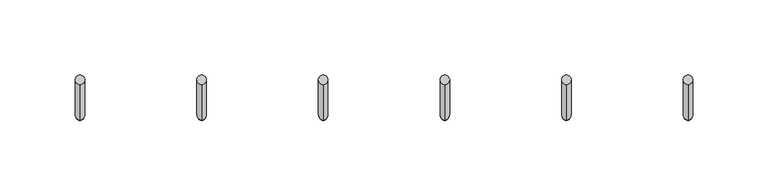
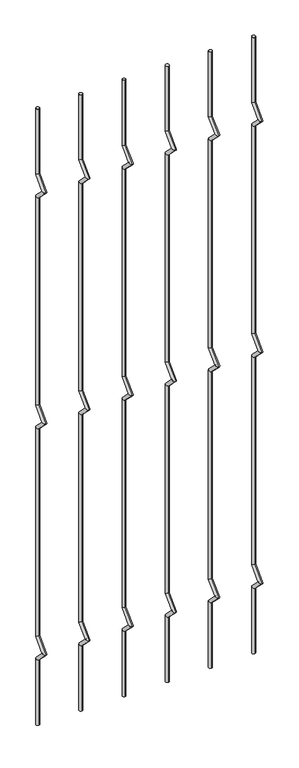
"""IFC4 building model written with IfcOpenShell, lengths in millimetres: railing geometry."""

import ifcopenshell
import ifcopenshell.guid

model = None  # the IFC model being written
_history = None  # IfcOwnerHistory: only IFC2X3 demands one
_inside = {}  # id of a spatial element -> (the spatial element, [elements in it])
_under = {}  # id of a project, library or spatial element -> (it, [spatial elements below it])
_declared = {}  # id of a project -> (the project, [libraries it declares])
_typed = {}  # id of a type object -> (the type object, [elements of that type])
_made_of = {}  # id of a material, layer set ... -> (it, [elements and type objects made of it])


def new_model(schema):
    """Start an empty IFC model of exactly this schema.

    Asked for "IFC4X3", IfcOpenShell would pick the latest addendum, in which some entities
    have other attributes; the version numbers below select the first issue.
    IFC2X3 requires an IfcOwnerHistory on every rooted entity: one is made here for all.
    """
    global model, _history
    if schema == "IFC4X3":
        model = ifcopenshell.file(schema_version=(4, 3, 0, 0))
    else:
        model = ifcopenshell.file(schema=schema)
    _inside.clear()
    _under.clear()
    _declared.clear()
    _typed.clear()
    _made_of.clear()
    _history = None
    if model.schema == "IFC2X3":
        org = make("IfcOrganization", Name="unknown")
        user = make(
            "IfcPersonAndOrganization",
            ThePerson=make("IfcPerson", FamilyName="unknown"),
            TheOrganization=org,
        )
        app = make(
            "IfcApplication",
            ApplicationDeveloper=org,
            Version="unknown",
            ApplicationFullName="unknown",
            ApplicationIdentifier="unknown",
        )
        _history = make(
            "IfcOwnerHistory",
            OwningUser=user,
            OwningApplication=app,
            ChangeAction="ADDED",
            CreationDate=0,
        )
    return model


def make(cls, **values):
    """One entity of the class cls with the attributes given. An attribute that is None is left unset."""
    return model.create_entity(
        cls, **{name: value for name, value in values.items() if value is not None}
    )


def rooted(cls, **values):
    """An entity with a GlobalId (a new one), such as an element, a storey or a relation."""
    return make(cls, GlobalId=ifcopenshell.guid.new(), OwnerHistory=_history, **values)


def si_unit(unit_type, name, prefix=None):
    """IfcSIUnit, for example si_unit("LENGTHUNIT", "METRE", prefix="MILLI")."""
    return make("IfcSIUnit", UnitType=unit_type, Prefix=prefix, Name=name)


def assignment(units):
    """IfcUnitAssignment: the units of a project."""
    return None if units is None else make("IfcUnitAssignment", Units=units)


def point(xyz):
    """IfcCartesianPoint."""
    return None if xyz is None else make("IfcCartesianPoint", Coordinates=xyz)


def direction(xyz):
    """IfcDirection."""
    return None if xyz is None else make("IfcDirection", DirectionRatios=xyz)


def frame(location, z_axis=None, x_axis=None):
    """IfcAxis2Placement3D, a coordinate frame: its origin and axes. An axis left out is left unset."""
    return make(
        "IfcAxis2Placement3D",
        Location=point(location),
        Axis=direction(z_axis),
        RefDirection=direction(x_axis),
    )


def origin():
    """The frame at (0, 0, 0) with its axes left unset."""
    return frame((0.0, 0.0, 0.0))


def place(relative_to, where):
    """IfcLocalPlacement: puts the frame where relative to a parent placement (None: the world)."""
    return make(
        "IfcLocalPlacement", PlacementRelTo=relative_to, RelativePlacement=where
    )


def context(
    kind, dimensions, precision=None, world=None, true_north=None, identifier=None
):
    """IfcGeometricRepresentationContext, for example the 3D "Model" context."""
    return make(
        "IfcGeometricRepresentationContext",
        ContextIdentifier=identifier,
        ContextType=kind,
        CoordinateSpaceDimension=dimensions,
        Precision=precision,
        WorldCoordinateSystem=world,
        TrueNorth=true_north,
    )


def project(units=None, contexts=None):
    """IfcProject with its units and contexts."""
    return rooted(
        "IfcProject",
        Name="project",
        RepresentationContexts=contexts,
        UnitsInContext=assignment(units),
    )


def spatial(cls, under=None, at=None, **own):
    """A site, building, storey or space (cls), placed at a placement, below another one or the project."""
    s = rooted(cls, ObjectPlacement=at, **own)
    if under is not None:
        _under.setdefault(under.id(), (under, []))[1].append(s)
    return s


def circle_curve(where, radius):
    """IfcCircle in the frame where."""
    return make("IfcCircle", Position=where, Radius=radius)


def ellipse_curve(where, semi_axis1, semi_axis2):
    """IfcEllipse in the frame where."""
    return make(
        "IfcEllipse", Position=where, SemiAxis1=semi_axis1, SemiAxis2=semi_axis2
    )


def shape(context_of_items, identifier, shape_type, items):
    """IfcShapeRepresentation: the items that make up one representation, for example the "Body"."""
    return make(
        "IfcShapeRepresentation",
        ContextOfItems=context_of_items,
        RepresentationIdentifier=identifier,
        RepresentationType=shape_type,
        Items=items,
    )


def source(mapping_origin, context_of_items, identifier, shape_type, items):
    """IfcRepresentationMap: a shape defined once, which mapped items show again and again."""
    return make(
        "IfcRepresentationMap",
        MappingOrigin=mapping_origin,
        MappedRepresentation=shape(context_of_items, identifier, shape_type, items),
    )


def transform(
    local_origin,
    x_axis=None,
    y_axis=None,
    z_axis=None,
    scale=None,
    scale2=None,
    scale3=None,
    uniform=True,
):
    """IfcCartesianTransformationOperator3D, or its non-uniform kind. x_axis, y_axis, z_axis: its Axis1, 2, 3."""
    if uniform:
        return make(
            "IfcCartesianTransformationOperator3D",
            Axis1=direction(x_axis),
            Axis2=direction(y_axis),
            LocalOrigin=point(local_origin),
            Scale=scale,
            Axis3=direction(z_axis),
        )
    return make(
        "IfcCartesianTransformationOperator3DnonUniform",
        Axis1=direction(x_axis),
        Axis2=direction(y_axis),
        LocalOrigin=point(local_origin),
        Scale=scale,
        Axis3=direction(z_axis),
        Scale2=scale2,
        Scale3=scale3,
    )


def mapped(mapping_source, mapping_target):
    """IfcMappedItem: shows the shape of a source again, moved by a transform."""
    return make(
        "IfcMappedItem", MappingSource=mapping_source, MappingTarget=mapping_target
    )


def made_of(thing, what):
    """Note that an element or type object is made of a material, layer set ...; save() writes the relation."""
    if what is not None:
        _made_of.setdefault(what.id(), (what, []))[1].append(thing)
    return thing


def element(
    cls,
    number,
    at=None,
    inside=None,
    cuts=None,
    type_object=None,
    material=None,
    context=None,
    identifier="Body",
    shape_type=None,
    held_by="IfcProductDefinitionShape",
    body=None,
    shapes=None,
    **own,
):
    """One element of the class cls, such as IfcWall. Its Tag is "e" and its number.

    at: its placement. inside: the storey or other place that contains it. cuts: it is an
    opening in that element (IfcRelVoidsElement). A single representation is given by context,
    identifier, shape_type and body (its items); several are given by shapes. held_by: the class
    of the entity that holds the representations. save() writes the other relations.
    """
    e = rooted(cls, Tag="e%d" % number, ObjectPlacement=at, **own)
    if body is not None:
        shapes = [shape(context, identifier, shape_type, body)]
    if shapes is not None:
        e.Representation = make(held_by, Representations=shapes)
    if inside is not None:
        _inside.setdefault(inside.id(), (inside, []))[1].append(e)
    if cuts is not None:
        rooted(
            "IfcRelVoidsElement", RelatingBuildingElement=cuts, RelatedOpeningElement=e
        )
    if type_object is not None:
        _typed.setdefault(type_object.id(), (type_object, []))[1].append(e)
    return made_of(e, material)


def aggregate(whole, parts):
    """IfcRelAggregates: a whole, such as a stair, and the parts it consists of."""
    return rooted("IfcRelAggregates", RelatingObject=whole, RelatedObjects=parts)


def save(model, path):
    """Write the relations noted so far, then the file.

    IfcRelAggregates (storeys below a building ...), IfcRelContainedInSpatialStructure (elements
    in a storey), IfcRelDefinesByType, IfcRelAssociatesMaterial and IfcRelDeclares: one each for
    every whole, place, type object, material and project.
    """
    for whole, parts in _under.values():
        aggregate(whole, parts)
    for where, things in _inside.values():
        rooted(
            "IfcRelContainedInSpatialStructure",
            RelatedElements=things,
            RelatingStructure=where,
        )
    for kind, things in _typed.values():
        rooted("IfcRelDefinesByType", RelatedObjects=things, RelatingType=kind)
    for what, things in _made_of.values():
        rooted("IfcRelAssociatesMaterial", RelatedObjects=things, RelatingMaterial=what)
    for by, libraries in _declared.values():
        rooted("IfcRelDeclares", RelatingContext=by, RelatedDefinitions=libraries)
    model.write(path)


def plane_surface(at):
    """IfcPlane: the flat surface through the origin of the frame at, square to its z axis."""
    return make("IfcPlane", Position=at)


def cylinder_surface(at, radius):
    """IfcCylindricalSurface: all points at the distance radius from the z axis of the frame at."""
    return make("IfcCylindricalSurface", Position=at, Radius=radius)


def advanced_brep(points, edges, surfaces, faces):
    """IfcAdvancedBrep: a solid bounded by faces that lie on surfaces and meet in shared edges.

    An edge is (start, end): straight between two places in points (the first is 0);
    or (start, end, curve); or (start, end, curve, False) where it runs against its curve.
    A face is (place in surfaces, loops), or (place, loops, False) where it looks against
    its surface's normal. A loop lists edges by number (the first is 1), with a minus sign
    where the edge is run from its end to its start. The first loop is the outer one.
    """
    corners = [point(p) for p in points]
    vertices = [make("IfcVertexPoint", VertexGeometry=c) for c in corners]
    made = []
    for start, end, *more in edges:
        made.append(
            make(
                "IfcEdgeCurve",
                EdgeStart=vertices[start],
                EdgeEnd=vertices[end],
                EdgeGeometry=more[0] if more else make("IfcPolyline", Points=[corners[start], corners[end]]),
                SameSense=more[1] if len(more) > 1 else True,
            )
        )
    hull = []
    for where, loops, *sense in faces:
        bounds = []
        for j, loop in enumerate(loops):
            ring = [make("IfcOrientedEdge", EdgeElement=made[abs(k) - 1], Orientation=k > 0) for k in loop]
            bounds.append(
                make(
                    "IfcFaceOuterBound" if j == 0 else "IfcFaceBound",
                    Bound=make("IfcEdgeLoop", EdgeList=ring),
                    Orientation=True,
                )
            )
        hull.append(make("IfcAdvancedFace", Bounds=bounds, FaceSurface=surfaces[where], SameSense=sense[0] if sense else True))
    return make("IfcAdvancedBrep", Outer=make("IfcClosedShell", CfsFaces=hull))


def railing_378e3ece(model_context):
    return source(origin(), model_context, "Body", "AdvancedBrep", [
        advanced_brep(
        [(-17999.7490291, 14808.5554142, 25.4), (-17999.7490291, 14802.2054142, 25.4), (-17999.7490291, 14802.2054142, 154.0342316), (-17999.7490291, 14808.5554142, 156.6644878), (-17999.7490291, 14778.4396458, 177.8), (-17999.7490291, 14787.419902, 177.8), (-17999.7490291, 14802.2054142, 201.5657684), (-17999.7490291, 14808.5554142, 198.9355122), (-17999.7490291, 14802.2054142, 611.2342316), (-17999.7490291, 14808.5554142, 613.8644878), (-17999.7490291, 14778.4396458, 635.0), (-17999.7490291, 14787.419902, 635.0), (-17999.7490291, 14802.2054142, 658.7657684), (-17999.7490291, 14808.5554142, 656.1355122), (-17999.7490291, 14802.2054142, 1068.4342316), (-17999.7490291, 14808.5554142, 1071.0644878), (-17999.7490291, 14778.4396458, 1092.2), (-17999.7490291, 14787.419902, 1092.2), (-17999.7490291, 14802.2054142, 1115.9657684), (-17999.7490291, 14808.5554142, 1113.3355122), (-17999.7490291, 14808.5554142, 1244.6), (-17999.7490291, 14802.2054142, 1244.6)],
        [
            (0, 1, circle_curve(frame((-17999.7490291, 14805.3804142, 25.4), z_axis=(0.0, 0.0, -1.0), x_axis=(0.0, -1.0, 0.0)), 3.175)),
            (1, 0, circle_curve(frame((-17999.7490291, 14805.3804142, 25.4), z_axis=(0.0, 0.0, -1.0), x_axis=(0.0, -1.0, 0.0)), 3.175)),
            (1, 2),
            (2, 3, ellipse_curve(frame((-17999.7490291, 14805.3804142, 155.3493597), z_axis=(0.0, 0.3826834323650955, -0.9238795325112844), x_axis=(0.0, -0.9238795325112845, -0.38268343236509544)), 3.4365952, 3.175)),
            (3, 0),
            (3, 2, ellipse_curve(frame((-17999.7490291, 14805.3804142, 155.3493597), z_axis=(0.0, 0.3826834323650955, -0.9238795325112844), x_axis=(0.0, -0.9238795325112845, -0.38268343236509544)), 3.4365952, 3.175)),
            (2, 4),
            (4, 5, ellipse_curve(frame((-17999.7490291, 14782.9297739, 177.8), z_axis=(0.0, 0.0, -1.0), x_axis=(0.0, 1.0, 0.0)), 4.4901281, 3.175)),
            (5, 3),
            (5, 4, ellipse_curve(frame((-17999.7490291, 14782.9297739, 177.8), z_axis=(0.0, 0.0, -1.0), x_axis=(0.0, 1.0, 0.0)), 4.4901281, 3.175)),
            (4, 6),
            (6, 7, ellipse_curve(frame((-17999.7490291, 14805.3804142, 200.2506403), z_axis=(0.0, -0.3826834323650839, -0.9238795325112892), x_axis=(0.0, -0.9238795325112893, 0.38268343236508373)), 3.4365952, 3.175)),
            (7, 5),
            (7, 6, ellipse_curve(frame((-17999.7490291, 14805.3804142, 200.2506403), z_axis=(0.0, -0.3826834323650839, -0.9238795325112892), x_axis=(0.0, -0.9238795325112893, 0.38268343236508373)), 3.4365952, 3.175)),
            (6, 8),
            (8, 9, ellipse_curve(frame((-17999.7490291, 14805.3804142, 612.5493597), z_axis=(0.0, 0.3826834323651024, -0.9238795325112816), x_axis=(0.0, -0.9238795325112816, -0.382683432365102)), 3.4365952, 3.175)),
            (9, 7),
            (9, 8, ellipse_curve(frame((-17999.7490291, 14805.3804142, 612.5493597), z_axis=(0.0, 0.3826834323651024, -0.9238795325112816), x_axis=(0.0, -0.9238795325112816, -0.382683432365102)), 3.4365952, 3.175)),
            (8, 10),
            (10, 11, ellipse_curve(frame((-17999.7490291, 14782.9297739, 635.0), z_axis=(0.0, 0.0, -1.0), x_axis=(0.0, 1.0, 0.0)), 4.4901281, 3.175)),
            (11, 9),
            (11, 10, ellipse_curve(frame((-17999.7490291, 14782.9297739, 635.0), z_axis=(0.0, 0.0, -1.0), x_axis=(0.0, 1.0, 0.0)), 4.4901281, 3.175)),
            (10, 12),
            (12, 13, ellipse_curve(frame((-17999.7490291, 14805.3804142, 657.4506403), z_axis=(0.0, -0.3826834323650771, -0.923879532511292), x_axis=(0.0, -0.9238795325112918, 0.3826834323650773)), 3.4365952, 3.175)),
            (13, 11),
            (13, 12, ellipse_curve(frame((-17999.7490291, 14805.3804142, 657.4506403), z_axis=(0.0, -0.3826834323650771, -0.923879532511292), x_axis=(0.0, -0.9238795325112918, 0.3826834323650773)), 3.4365952, 3.175)),
            (12, 14),
            (14, 15, ellipse_curve(frame((-17999.7490291, 14805.3804142, 1069.7493597), z_axis=(0.0, 0.3826834323650978, -0.9238795325112834), x_axis=(0.0, -0.9238795325112834, -0.382683432365098)), 3.4365952, 3.175)),
            (15, 13),
            (15, 14, ellipse_curve(frame((-17999.7490291, 14805.3804142, 1069.7493597), z_axis=(0.0, 0.3826834323650978, -0.9238795325112834), x_axis=(0.0, -0.9238795325112834, -0.382683432365098)), 3.4365952, 3.175)),
            (14, 16),
            (16, 17, ellipse_curve(frame((-17999.7490291, 14782.9297739, 1092.2), z_axis=(0.0, 0.0, -1.0), x_axis=(0.0, 1.0, 0.0)), 4.4901281, 3.175)),
            (17, 15),
            (17, 16, ellipse_curve(frame((-17999.7490291, 14782.9297739, 1092.2), z_axis=(0.0, 0.0, -1.0), x_axis=(0.0, 1.0, 0.0)), 4.4901281, 3.175)),
            (16, 18),
            (18, 19, ellipse_curve(frame((-17999.7490291, 14805.3804142, 1114.6506403), z_axis=(0.0, -0.38268343236508223, -0.9238795325112898), x_axis=(0.0, -0.92387953251129, 0.38268343236508207)), 3.4365952, 3.175)),
            (19, 17),
            (19, 18, ellipse_curve(frame((-17999.7490291, 14805.3804142, 1114.6506403), z_axis=(0.0, -0.38268343236508223, -0.9238795325112898), x_axis=(0.0, -0.92387953251129, 0.38268343236508207)), 3.4365952, 3.175)),
            (20, 21, circle_curve(frame((-17999.7490291, 14805.3804142, 1244.6), z_axis=(0.0, 0.0, 1.0), x_axis=(0.0, -1.0, 0.0)), 3.175)),
            (21, 20, circle_curve(frame((-17999.7490291, 14805.3804142, 1244.6), z_axis=(0.0, 0.0, 1.0), x_axis=(0.0, -1.0, 0.0)), 3.175)),
            (18, 21),
            (20, 19),
        ],
        [
            plane_surface(frame((-17999.7490291, 14805.3804142, 25.4), z_axis=(0.0, 0.0, -1.0), x_axis=(-1.0, 0.0, 0.0))),
            cylinder_surface(frame((-17999.7490291, 14805.3804142, 25.4), z_axis=(0.0, 0.0, -1.0), x_axis=(0.0, -1.0, 0.0)), 3.175),
            cylinder_surface(frame((-17999.7490291, 14805.3804142, 155.3493597), z_axis=(0.0, 0.7071067811865563, -0.7071067811865388), x_axis=(0.0, -0.7071067811865388, -0.7071067811865563)), 3.175),
            cylinder_surface(frame((-17999.7490291, 14782.9297739, 177.8), z_axis=(0.0, -0.7071067811865385, -0.7071067811865568), x_axis=(0.0, -0.7071067811865568, 0.7071067811865385)), 3.175),
            cylinder_surface(frame((-17999.7490291, 14805.3804142, 200.2506403), z_axis=(0.0, 0.0, -1.0), x_axis=(0.0, -1.0, 0.0)), 3.175),
            cylinder_surface(frame((-17999.7490291, 14805.3804142, 612.5493597), z_axis=(0.0, 0.7071067811865669, -0.707106781186528), x_axis=(0.0, -0.707106781186528, -0.7071067811865669)), 3.175),
            cylinder_surface(frame((-17999.7490291, 14782.9297739, 635.0), z_axis=(0.0, -0.7071067811865279, -0.7071067811865672), x_axis=(0.0, -0.7071067811865672, 0.7071067811865279)), 3.175),
            cylinder_surface(frame((-17999.7490291, 14805.3804142, 657.4506403), z_axis=(0.0, 0.0, -1.0), x_axis=(0.0, -1.0, 0.0)), 3.175),
            cylinder_surface(frame((-17999.7490291, 14805.3804142, 1069.7493597), z_axis=(0.0, 0.7071067811865601, -0.707106781186535), x_axis=(0.0, -0.707106781186535, -0.7071067811865601)), 3.175),
            cylinder_surface(frame((-17999.7490291, 14782.9297739, 1092.2), z_axis=(0.0, -0.7071067811865356, -0.7071067811865596), x_axis=(0.0, -0.7071067811865596, 0.7071067811865356)), 3.175),
            plane_surface(frame((-17999.7490291, 14805.3804142, 1244.6), z_axis=(0.0, 0.0, 1.0), x_axis=(-1.0, 0.0, 0.0))),
            cylinder_surface(frame((-17999.7490291, 14805.3804142, 1114.6506403), z_axis=(0.0, 0.0, -1.0), x_axis=(0.0, -1.0, 0.0)), 3.175),
        ],
        [
            (0, [[1, 2]]),
            (1, [[3, 4, 5, -2]]),
            (1, [[-5, 6, -3, -1]]),
            (2, [[7, 8, 9, -4]]),
            (2, [[-9, 10, -7, -6]]),
            (3, [[11, 12, 13, -8]]),
            (3, [[-13, 14, -11, -10]]),
            (4, [[15, 16, 17, -12]]),
            (4, [[-17, 18, -15, -14]]),
            (5, [[19, 20, 21, -16]]),
            (5, [[-21, 22, -19, -18]]),
            (6, [[23, 24, 25, -20]]),
            (6, [[-25, 26, -23, -22]]),
            (7, [[27, 28, 29, -24]]),
            (7, [[-29, 30, -27, -26]]),
            (8, [[31, 32, 33, -28]]),
            (8, [[-33, 34, -31, -30]]),
            (9, [[35, 36, 37, -32]]),
            (9, [[-37, 38, -35, -34]]),
            (10, [[39, 40]]),
            (11, [[41, -39, 42, -36]]),
            (11, [[-42, -40, -41, -38]]),
        ],
    ),
        advanced_brep(
        [(-17918.8923624, 14808.5554142, 25.4), (-17918.8923624, 14802.2054142, 25.4), (-17918.8923624, 14802.2054142, 154.0342316), (-17918.8923624, 14808.5554142, 156.6644878), (-17918.8923624, 14778.4396458, 177.8), (-17918.8923624, 14787.419902, 177.8), (-17918.8923624, 14802.2054142, 201.5657684), (-17918.8923624, 14808.5554142, 198.9355122), (-17918.8923624, 14802.2054142, 611.2342316), (-17918.8923624, 14808.5554142, 613.8644878), (-17918.8923624, 14778.4396458, 635.0), (-17918.8923624, 14787.419902, 635.0), (-17918.8923624, 14802.2054142, 658.7657684), (-17918.8923624, 14808.5554142, 656.1355122), (-17918.8923624, 14802.2054142, 1068.4342316), (-17918.8923624, 14808.5554142, 1071.0644878), (-17918.8923624, 14778.4396458, 1092.2), (-17918.8923624, 14787.419902, 1092.2), (-17918.8923624, 14802.2054142, 1115.9657684), (-17918.8923624, 14808.5554142, 1113.3355122), (-17918.8923624, 14808.5554142, 1244.6), (-17918.8923624, 14802.2054142, 1244.6)],
        [
            (0, 1, circle_curve(frame((-17918.8923624, 14805.3804142, 25.4), z_axis=(0.0, 0.0, -1.0), x_axis=(0.0, -1.0, 0.0)), 3.175)),
            (1, 0, circle_curve(frame((-17918.8923624, 14805.3804142, 25.4), z_axis=(0.0, 0.0, -1.0), x_axis=(0.0, -1.0, 0.0)), 3.175)),
            (1, 2),
            (2, 3, ellipse_curve(frame((-17918.8923624, 14805.3804142, 155.3493597), z_axis=(0.0, 0.3826834323650955, -0.9238795325112844), x_axis=(0.0, -0.9238795325112845, -0.38268343236509544)), 3.4365952, 3.175)),
            (3, 0),
            (3, 2, ellipse_curve(frame((-17918.8923624, 14805.3804142, 155.3493597), z_axis=(0.0, 0.3826834323650955, -0.9238795325112844), x_axis=(0.0, -0.9238795325112845, -0.38268343236509544)), 3.4365952, 3.175)),
            (2, 4),
            (4, 5, ellipse_curve(frame((-17918.8923624, 14782.9297739, 177.8), z_axis=(0.0, 0.0, -1.0), x_axis=(0.0, 1.0, 0.0)), 4.4901281, 3.175)),
            (5, 3),
            (5, 4, ellipse_curve(frame((-17918.8923624, 14782.9297739, 177.8), z_axis=(0.0, 0.0, -1.0), x_axis=(0.0, 1.0, 0.0)), 4.4901281, 3.175)),
            (4, 6),
            (6, 7, ellipse_curve(frame((-17918.8923624, 14805.3804142, 200.2506403), z_axis=(0.0, -0.3826834323650839, -0.9238795325112892), x_axis=(0.0, -0.9238795325112893, 0.38268343236508373)), 3.4365952, 3.175)),
            (7, 5),
            (7, 6, ellipse_curve(frame((-17918.8923624, 14805.3804142, 200.2506403), z_axis=(0.0, -0.3826834323650839, -0.9238795325112892), x_axis=(0.0, -0.9238795325112893, 0.38268343236508373)), 3.4365952, 3.175)),
            (6, 8),
            (8, 9, ellipse_curve(frame((-17918.8923624, 14805.3804142, 612.5493597), z_axis=(0.0, 0.3826834323651024, -0.9238795325112816), x_axis=(0.0, -0.9238795325112816, -0.382683432365102)), 3.4365952, 3.175)),
            (9, 7),
            (9, 8, ellipse_curve(frame((-17918.8923624, 14805.3804142, 612.5493597), z_axis=(0.0, 0.3826834323651024, -0.9238795325112816), x_axis=(0.0, -0.9238795325112816, -0.382683432365102)), 3.4365952, 3.175)),
            (8, 10),
            (10, 11, ellipse_curve(frame((-17918.8923624, 14782.9297739, 635.0), z_axis=(0.0, 0.0, -1.0), x_axis=(0.0, 1.0, 0.0)), 4.4901281, 3.175)),
            (11, 9),
            (11, 10, ellipse_curve(frame((-17918.8923624, 14782.9297739, 635.0), z_axis=(0.0, 0.0, -1.0), x_axis=(0.0, 1.0, 0.0)), 4.4901281, 3.175)),
            (10, 12),
            (12, 13, ellipse_curve(frame((-17918.8923624, 14805.3804142, 657.4506403), z_axis=(0.0, -0.3826834323650771, -0.923879532511292), x_axis=(0.0, -0.9238795325112918, 0.3826834323650773)), 3.4365952, 3.175)),
            (13, 11),
            (13, 12, ellipse_curve(frame((-17918.8923624, 14805.3804142, 657.4506403), z_axis=(0.0, -0.3826834323650771, -0.923879532511292), x_axis=(0.0, -0.9238795325112918, 0.3826834323650773)), 3.4365952, 3.175)),
            (12, 14),
            (14, 15, ellipse_curve(frame((-17918.8923624, 14805.3804142, 1069.7493597), z_axis=(0.0, 0.3826834323650978, -0.9238795325112834), x_axis=(0.0, -0.9238795325112834, -0.382683432365098)), 3.4365952, 3.175)),
            (15, 13),
            (15, 14, ellipse_curve(frame((-17918.8923624, 14805.3804142, 1069.7493597), z_axis=(0.0, 0.3826834323650978, -0.9238795325112834), x_axis=(0.0, -0.9238795325112834, -0.382683432365098)), 3.4365952, 3.175)),
            (14, 16),
            (16, 17, ellipse_curve(frame((-17918.8923624, 14782.9297739, 1092.2), z_axis=(0.0, 0.0, -1.0), x_axis=(0.0, 1.0, 0.0)), 4.4901281, 3.175)),
            (17, 15),
            (17, 16, ellipse_curve(frame((-17918.8923624, 14782.9297739, 1092.2), z_axis=(0.0, 0.0, -1.0), x_axis=(0.0, 1.0, 0.0)), 4.4901281, 3.175)),
            (16, 18),
            (18, 19, ellipse_curve(frame((-17918.8923624, 14805.3804142, 1114.6506403), z_axis=(0.0, -0.38268343236508223, -0.9238795325112898), x_axis=(0.0, -0.92387953251129, 0.38268343236508207)), 3.4365952, 3.175)),
            (19, 17),
            (19, 18, ellipse_curve(frame((-17918.8923624, 14805.3804142, 1114.6506403), z_axis=(0.0, -0.38268343236508223, -0.9238795325112898), x_axis=(0.0, -0.92387953251129, 0.38268343236508207)), 3.4365952, 3.175)),
            (20, 21, circle_curve(frame((-17918.8923624, 14805.3804142, 1244.6), z_axis=(0.0, 0.0, 1.0), x_axis=(0.0, -1.0, 0.0)), 3.175)),
            (21, 20, circle_curve(frame((-17918.8923624, 14805.3804142, 1244.6), z_axis=(0.0, 0.0, 1.0), x_axis=(0.0, -1.0, 0.0)), 3.175)),
            (18, 21),
            (20, 19),
        ],
        [
            plane_surface(frame((-17918.8923624, 14805.3804142, 25.4), z_axis=(0.0, 0.0, -1.0), x_axis=(-1.0, 0.0, 0.0))),
            cylinder_surface(frame((-17918.8923624, 14805.3804142, 25.4), z_axis=(0.0, 0.0, -1.0), x_axis=(0.0, -1.0, 0.0)), 3.175),
            cylinder_surface(frame((-17918.8923624, 14805.3804142, 155.3493597), z_axis=(0.0, 0.7071067811865563, -0.7071067811865388), x_axis=(0.0, -0.7071067811865388, -0.7071067811865563)), 3.175),
            cylinder_surface(frame((-17918.8923624, 14782.9297739, 177.8), z_axis=(0.0, -0.7071067811865385, -0.7071067811865568), x_axis=(0.0, -0.7071067811865568, 0.7071067811865385)), 3.175),
            cylinder_surface(frame((-17918.8923624, 14805.3804142, 200.2506403), z_axis=(0.0, 0.0, -1.0), x_axis=(0.0, -1.0, 0.0)), 3.175),
            cylinder_surface(frame((-17918.8923624, 14805.3804142, 612.5493597), z_axis=(0.0, 0.7071067811865669, -0.707106781186528), x_axis=(0.0, -0.707106781186528, -0.7071067811865669)), 3.175),
            cylinder_surface(frame((-17918.8923624, 14782.9297739, 635.0), z_axis=(0.0, -0.7071067811865279, -0.7071067811865672), x_axis=(0.0, -0.7071067811865672, 0.7071067811865279)), 3.175),
            cylinder_surface(frame((-17918.8923624, 14805.3804142, 657.4506403), z_axis=(0.0, 0.0, -1.0), x_axis=(0.0, -1.0, 0.0)), 3.175),
            cylinder_surface(frame((-17918.8923624, 14805.3804142, 1069.7493597), z_axis=(0.0, 0.7071067811865601, -0.707106781186535), x_axis=(0.0, -0.707106781186535, -0.7071067811865601)), 3.175),
            cylinder_surface(frame((-17918.8923624, 14782.9297739, 1092.2), z_axis=(0.0, -0.7071067811865356, -0.7071067811865596), x_axis=(0.0, -0.7071067811865596, 0.7071067811865356)), 3.175),
            plane_surface(frame((-17918.8923624, 14805.3804142, 1244.6), z_axis=(0.0, 0.0, 1.0), x_axis=(-1.0, 0.0, 0.0))),
            cylinder_surface(frame((-17918.8923624, 14805.3804142, 1114.6506403), z_axis=(0.0, 0.0, -1.0), x_axis=(0.0, -1.0, 0.0)), 3.175),
        ],
        [
            (0, [[1, 2]]),
            (1, [[3, 4, 5, -2]]),
            (1, [[-5, 6, -3, -1]]),
            (2, [[7, 8, 9, -4]]),
            (2, [[-9, 10, -7, -6]]),
            (3, [[11, 12, 13, -8]]),
            (3, [[-13, 14, -11, -10]]),
            (4, [[15, 16, 17, -12]]),
            (4, [[-17, 18, -15, -14]]),
            (5, [[19, 20, 21, -16]]),
            (5, [[-21, 22, -19, -18]]),
            (6, [[23, 24, 25, -20]]),
            (6, [[-25, 26, -23, -22]]),
            (7, [[27, 28, 29, -24]]),
            (7, [[-29, 30, -27, -26]]),
            (8, [[31, 32, 33, -28]]),
            (8, [[-33, 34, -31, -30]]),
            (9, [[35, 36, 37, -32]]),
            (9, [[-37, 38, -35, -34]]),
            (10, [[39, 40]]),
            (11, [[41, -39, 42, -36]]),
            (11, [[-42, -40, -41, -38]]),
        ],
    ),
        advanced_brep(
        [(-17838.0356958, 14808.5554142, 25.4), (-17838.0356958, 14802.2054142, 25.4), (-17838.0356958, 14802.2054142, 154.0342316), (-17838.0356958, 14808.5554142, 156.6644878), (-17838.0356958, 14778.4396458, 177.8), (-17838.0356958, 14787.419902, 177.8), (-17838.0356958, 14802.2054142, 201.5657684), (-17838.0356958, 14808.5554142, 198.9355122), (-17838.0356958, 14802.2054142, 611.2342316), (-17838.0356958, 14808.5554142, 613.8644878), (-17838.0356958, 14778.4396458, 635.0), (-17838.0356958, 14787.419902, 635.0), (-17838.0356958, 14802.2054142, 658.7657684), (-17838.0356958, 14808.5554142, 656.1355122), (-17838.0356958, 14802.2054142, 1068.4342316), (-17838.0356958, 14808.5554142, 1071.0644878), (-17838.0356958, 14778.4396458, 1092.2), (-17838.0356958, 14787.419902, 1092.2), (-17838.0356958, 14802.2054142, 1115.9657684), (-17838.0356958, 14808.5554142, 1113.3355122), (-17838.0356958, 14808.5554142, 1244.6), (-17838.0356958, 14802.2054142, 1244.6)],
        [
            (0, 1, circle_curve(frame((-17838.0356958, 14805.3804142, 25.4), z_axis=(0.0, 0.0, -1.0), x_axis=(0.0, -1.0, 0.0)), 3.175)),
            (1, 0, circle_curve(frame((-17838.0356958, 14805.3804142, 25.4), z_axis=(0.0, 0.0, -1.0), x_axis=(0.0, -1.0, 0.0)), 3.175)),
            (1, 2),
            (2, 3, ellipse_curve(frame((-17838.0356958, 14805.3804142, 155.3493597), z_axis=(0.0, 0.3826834323650955, -0.9238795325112844), x_axis=(0.0, -0.9238795325112845, -0.38268343236509544)), 3.4365952, 3.175)),
            (3, 0),
            (3, 2, ellipse_curve(frame((-17838.0356958, 14805.3804142, 155.3493597), z_axis=(0.0, 0.3826834323650955, -0.9238795325112844), x_axis=(0.0, -0.9238795325112845, -0.38268343236509544)), 3.4365952, 3.175)),
            (2, 4),
            (4, 5, ellipse_curve(frame((-17838.0356958, 14782.9297739, 177.8), z_axis=(0.0, 0.0, -1.0), x_axis=(0.0, 1.0, 0.0)), 4.4901281, 3.175)),
            (5, 3),
            (5, 4, ellipse_curve(frame((-17838.0356958, 14782.9297739, 177.8), z_axis=(0.0, 0.0, -1.0), x_axis=(0.0, 1.0, 0.0)), 4.4901281, 3.175)),
            (4, 6),
            (6, 7, ellipse_curve(frame((-17838.0356958, 14805.3804142, 200.2506403), z_axis=(0.0, -0.3826834323650839, -0.9238795325112892), x_axis=(0.0, -0.9238795325112893, 0.38268343236508373)), 3.4365952, 3.175)),
            (7, 5),
            (7, 6, ellipse_curve(frame((-17838.0356958, 14805.3804142, 200.2506403), z_axis=(0.0, -0.3826834323650839, -0.9238795325112892), x_axis=(0.0, -0.9238795325112893, 0.38268343236508373)), 3.4365952, 3.175)),
            (6, 8),
            (8, 9, ellipse_curve(frame((-17838.0356958, 14805.3804142, 612.5493597), z_axis=(0.0, 0.3826834323651024, -0.9238795325112816), x_axis=(0.0, -0.9238795325112816, -0.382683432365102)), 3.4365952, 3.175)),
            (9, 7),
            (9, 8, ellipse_curve(frame((-17838.0356958, 14805.3804142, 612.5493597), z_axis=(0.0, 0.3826834323651024, -0.9238795325112816), x_axis=(0.0, -0.9238795325112816, -0.382683432365102)), 3.4365952, 3.175)),
            (8, 10),
            (10, 11, ellipse_curve(frame((-17838.0356958, 14782.9297739, 635.0), z_axis=(0.0, 0.0, -1.0), x_axis=(0.0, 1.0, 0.0)), 4.4901281, 3.175)),
            (11, 9),
            (11, 10, ellipse_curve(frame((-17838.0356958, 14782.9297739, 635.0), z_axis=(0.0, 0.0, -1.0), x_axis=(0.0, 1.0, 0.0)), 4.4901281, 3.175)),
            (10, 12),
            (12, 13, ellipse_curve(frame((-17838.0356958, 14805.3804142, 657.4506403), z_axis=(0.0, -0.3826834323650771, -0.923879532511292), x_axis=(0.0, -0.9238795325112918, 0.3826834323650773)), 3.4365952, 3.175)),
            (13, 11),
            (13, 12, ellipse_curve(frame((-17838.0356958, 14805.3804142, 657.4506403), z_axis=(0.0, -0.3826834323650771, -0.923879532511292), x_axis=(0.0, -0.9238795325112918, 0.3826834323650773)), 3.4365952, 3.175)),
            (12, 14),
            (14, 15, ellipse_curve(frame((-17838.0356958, 14805.3804142, 1069.7493597), z_axis=(0.0, 0.3826834323650978, -0.9238795325112834), x_axis=(0.0, -0.9238795325112834, -0.382683432365098)), 3.4365952, 3.175)),
            (15, 13),
            (15, 14, ellipse_curve(frame((-17838.0356958, 14805.3804142, 1069.7493597), z_axis=(0.0, 0.3826834323650978, -0.9238795325112834), x_axis=(0.0, -0.9238795325112834, -0.382683432365098)), 3.4365952, 3.175)),
            (14, 16),
            (16, 17, ellipse_curve(frame((-17838.0356958, 14782.9297739, 1092.2), z_axis=(0.0, 0.0, -1.0), x_axis=(0.0, 1.0, 0.0)), 4.4901281, 3.175)),
            (17, 15),
            (17, 16, ellipse_curve(frame((-17838.0356958, 14782.9297739, 1092.2), z_axis=(0.0, 0.0, -1.0), x_axis=(0.0, 1.0, 0.0)), 4.4901281, 3.175)),
            (16, 18),
            (18, 19, ellipse_curve(frame((-17838.0356958, 14805.3804142, 1114.6506403), z_axis=(0.0, -0.38268343236508223, -0.9238795325112898), x_axis=(0.0, -0.92387953251129, 0.38268343236508207)), 3.4365952, 3.175)),
            (19, 17),
            (19, 18, ellipse_curve(frame((-17838.0356958, 14805.3804142, 1114.6506403), z_axis=(0.0, -0.38268343236508223, -0.9238795325112898), x_axis=(0.0, -0.92387953251129, 0.38268343236508207)), 3.4365952, 3.175)),
            (20, 21, circle_curve(frame((-17838.0356958, 14805.3804142, 1244.6), z_axis=(0.0, 0.0, 1.0), x_axis=(0.0, -1.0, 0.0)), 3.175)),
            (21, 20, circle_curve(frame((-17838.0356958, 14805.3804142, 1244.6), z_axis=(0.0, 0.0, 1.0), x_axis=(0.0, -1.0, 0.0)), 3.175)),
            (18, 21),
            (20, 19),
        ],
        [
            plane_surface(frame((-17838.0356958, 14805.3804142, 25.4), z_axis=(0.0, 0.0, -1.0), x_axis=(-1.0, 0.0, 0.0))),
            cylinder_surface(frame((-17838.0356958, 14805.3804142, 25.4), z_axis=(0.0, 0.0, -1.0), x_axis=(0.0, -1.0, 0.0)), 3.175),
            cylinder_surface(frame((-17838.0356958, 14805.3804142, 155.3493597), z_axis=(0.0, 0.7071067811865563, -0.7071067811865388), x_axis=(0.0, -0.7071067811865388, -0.7071067811865563)), 3.175),
            cylinder_surface(frame((-17838.0356958, 14782.9297739, 177.8), z_axis=(0.0, -0.7071067811865385, -0.7071067811865568), x_axis=(0.0, -0.7071067811865568, 0.7071067811865385)), 3.175),
            cylinder_surface(frame((-17838.0356958, 14805.3804142, 200.2506403), z_axis=(0.0, 0.0, -1.0), x_axis=(0.0, -1.0, 0.0)), 3.175),
            cylinder_surface(frame((-17838.0356958, 14805.3804142, 612.5493597), z_axis=(0.0, 0.7071067811865669, -0.707106781186528), x_axis=(0.0, -0.707106781186528, -0.7071067811865669)), 3.175),
            cylinder_surface(frame((-17838.0356958, 14782.9297739, 635.0), z_axis=(0.0, -0.7071067811865279, -0.7071067811865672), x_axis=(0.0, -0.7071067811865672, 0.7071067811865279)), 3.175),
            cylinder_surface(frame((-17838.0356958, 14805.3804142, 657.4506403), z_axis=(0.0, 0.0, -1.0), x_axis=(0.0, -1.0, 0.0)), 3.175),
            cylinder_surface(frame((-17838.0356958, 14805.3804142, 1069.7493597), z_axis=(0.0, 0.7071067811865601, -0.707106781186535), x_axis=(0.0, -0.707106781186535, -0.7071067811865601)), 3.175),
            cylinder_surface(frame((-17838.0356958, 14782.9297739, 1092.2), z_axis=(0.0, -0.7071067811865356, -0.7071067811865596), x_axis=(0.0, -0.7071067811865596, 0.7071067811865356)), 3.175),
            plane_surface(frame((-17838.0356958, 14805.3804142, 1244.6), z_axis=(0.0, 0.0, 1.0), x_axis=(-1.0, 0.0, 0.0))),
            cylinder_surface(frame((-17838.0356958, 14805.3804142, 1114.6506403), z_axis=(0.0, 0.0, -1.0), x_axis=(0.0, -1.0, 0.0)), 3.175),
        ],
        [
            (0, [[1, 2]]),
            (1, [[3, 4, 5, -2]]),
            (1, [[-5, 6, -3, -1]]),
            (2, [[7, 8, 9, -4]]),
            (2, [[-9, 10, -7, -6]]),
            (3, [[11, 12, 13, -8]]),
            (3, [[-13, 14, -11, -10]]),
            (4, [[15, 16, 17, -12]]),
            (4, [[-17, 18, -15, -14]]),
            (5, [[19, 20, 21, -16]]),
            (5, [[-21, 22, -19, -18]]),
            (6, [[23, 24, 25, -20]]),
            (6, [[-25, 26, -23, -22]]),
            (7, [[27, 28, 29, -24]]),
            (7, [[-29, 30, -27, -26]]),
            (8, [[31, 32, 33, -28]]),
            (8, [[-33, 34, -31, -30]]),
            (9, [[35, 36, 37, -32]]),
            (9, [[-37, 38, -35, -34]]),
            (10, [[39, 40]]),
            (11, [[41, -39, 42, -36]]),
            (11, [[-42, -40, -41, -38]]),
        ],
    ),
        advanced_brep(
        [(-17757.1790291, 14808.5554142, 25.4), (-17757.1790291, 14802.2054142, 25.4), (-17757.1790291, 14802.2054142, 154.0342316), (-17757.1790291, 14808.5554142, 156.6644878), (-17757.1790291, 14778.4396458, 177.8), (-17757.1790291, 14787.419902, 177.8), (-17757.1790291, 14802.2054142, 201.5657684), (-17757.1790291, 14808.5554142, 198.9355122), (-17757.1790291, 14802.2054142, 611.2342316), (-17757.1790291, 14808.5554142, 613.8644878), (-17757.1790291, 14778.4396458, 635.0), (-17757.1790291, 14787.419902, 635.0), (-17757.1790291, 14802.2054142, 658.7657684), (-17757.1790291, 14808.5554142, 656.1355122), (-17757.1790291, 14802.2054142, 1068.4342316), (-17757.1790291, 14808.5554142, 1071.0644878), (-17757.1790291, 14778.4396458, 1092.2), (-17757.1790291, 14787.419902, 1092.2), (-17757.1790291, 14802.2054142, 1115.9657684), (-17757.1790291, 14808.5554142, 1113.3355122), (-17757.1790291, 14808.5554142, 1244.6), (-17757.1790291, 14802.2054142, 1244.6)],
        [
            (0, 1, circle_curve(frame((-17757.1790291, 14805.3804142, 25.4), z_axis=(0.0, 0.0, -1.0), x_axis=(0.0, -1.0, 0.0)), 3.175)),
            (1, 0, circle_curve(frame((-17757.1790291, 14805.3804142, 25.4), z_axis=(0.0, 0.0, -1.0), x_axis=(0.0, -1.0, 0.0)), 3.175)),
            (1, 2),
            (2, 3, ellipse_curve(frame((-17757.1790291, 14805.3804142, 155.3493597), z_axis=(0.0, 0.3826834323650955, -0.9238795325112844), x_axis=(0.0, -0.9238795325112845, -0.38268343236509544)), 3.4365952, 3.175)),
            (3, 0),
            (3, 2, ellipse_curve(frame((-17757.1790291, 14805.3804142, 155.3493597), z_axis=(0.0, 0.3826834323650955, -0.9238795325112844), x_axis=(0.0, -0.9238795325112845, -0.38268343236509544)), 3.4365952, 3.175)),
            (2, 4),
            (4, 5, ellipse_curve(frame((-17757.1790291, 14782.9297739, 177.8), z_axis=(0.0, 0.0, -1.0), x_axis=(0.0, 1.0, 0.0)), 4.4901281, 3.175)),
            (5, 3),
            (5, 4, ellipse_curve(frame((-17757.1790291, 14782.9297739, 177.8), z_axis=(0.0, 0.0, -1.0), x_axis=(0.0, 1.0, 0.0)), 4.4901281, 3.175)),
            (4, 6),
            (6, 7, ellipse_curve(frame((-17757.1790291, 14805.3804142, 200.2506403), z_axis=(0.0, -0.3826834323650839, -0.9238795325112892), x_axis=(0.0, -0.9238795325112893, 0.38268343236508373)), 3.4365952, 3.175)),
            (7, 5),
            (7, 6, ellipse_curve(frame((-17757.1790291, 14805.3804142, 200.2506403), z_axis=(0.0, -0.3826834323650839, -0.9238795325112892), x_axis=(0.0, -0.9238795325112893, 0.38268343236508373)), 3.4365952, 3.175)),
            (6, 8),
            (8, 9, ellipse_curve(frame((-17757.1790291, 14805.3804142, 612.5493597), z_axis=(0.0, 0.3826834323651024, -0.9238795325112816), x_axis=(0.0, -0.9238795325112816, -0.382683432365102)), 3.4365952, 3.175)),
            (9, 7),
            (9, 8, ellipse_curve(frame((-17757.1790291, 14805.3804142, 612.5493597), z_axis=(0.0, 0.3826834323651024, -0.9238795325112816), x_axis=(0.0, -0.9238795325112816, -0.382683432365102)), 3.4365952, 3.175)),
            (8, 10),
            (10, 11, ellipse_curve(frame((-17757.1790291, 14782.9297739, 635.0), z_axis=(0.0, 0.0, -1.0), x_axis=(0.0, 1.0, 0.0)), 4.4901281, 3.175)),
            (11, 9),
            (11, 10, ellipse_curve(frame((-17757.1790291, 14782.9297739, 635.0), z_axis=(0.0, 0.0, -1.0), x_axis=(0.0, 1.0, 0.0)), 4.4901281, 3.175)),
            (10, 12),
            (12, 13, ellipse_curve(frame((-17757.1790291, 14805.3804142, 657.4506403), z_axis=(0.0, -0.3826834323650771, -0.923879532511292), x_axis=(0.0, -0.9238795325112918, 0.3826834323650773)), 3.4365952, 3.175)),
            (13, 11),
            (13, 12, ellipse_curve(frame((-17757.1790291, 14805.3804142, 657.4506403), z_axis=(0.0, -0.3826834323650771, -0.923879532511292), x_axis=(0.0, -0.9238795325112918, 0.3826834323650773)), 3.4365952, 3.175)),
            (12, 14),
            (14, 15, ellipse_curve(frame((-17757.1790291, 14805.3804142, 1069.7493597), z_axis=(0.0, 0.3826834323650978, -0.9238795325112834), x_axis=(0.0, -0.9238795325112834, -0.382683432365098)), 3.4365952, 3.175)),
            (15, 13),
            (15, 14, ellipse_curve(frame((-17757.1790291, 14805.3804142, 1069.7493597), z_axis=(0.0, 0.3826834323650978, -0.9238795325112834), x_axis=(0.0, -0.9238795325112834, -0.382683432365098)), 3.4365952, 3.175)),
            (14, 16),
            (16, 17, ellipse_curve(frame((-17757.1790291, 14782.9297739, 1092.2), z_axis=(0.0, 0.0, -1.0), x_axis=(0.0, 1.0, 0.0)), 4.4901281, 3.175)),
            (17, 15),
            (17, 16, ellipse_curve(frame((-17757.1790291, 14782.9297739, 1092.2), z_axis=(0.0, 0.0, -1.0), x_axis=(0.0, 1.0, 0.0)), 4.4901281, 3.175)),
            (16, 18),
            (18, 19, ellipse_curve(frame((-17757.1790291, 14805.3804142, 1114.6506403), z_axis=(0.0, -0.38268343236508223, -0.9238795325112898), x_axis=(0.0, -0.92387953251129, 0.38268343236508207)), 3.4365952, 3.175)),
            (19, 17),
            (19, 18, ellipse_curve(frame((-17757.1790291, 14805.3804142, 1114.6506403), z_axis=(0.0, -0.38268343236508223, -0.9238795325112898), x_axis=(0.0, -0.92387953251129, 0.38268343236508207)), 3.4365952, 3.175)),
            (20, 21, circle_curve(frame((-17757.1790291, 14805.3804142, 1244.6), z_axis=(0.0, 0.0, 1.0), x_axis=(0.0, -1.0, 0.0)), 3.175)),
            (21, 20, circle_curve(frame((-17757.1790291, 14805.3804142, 1244.6), z_axis=(0.0, 0.0, 1.0), x_axis=(0.0, -1.0, 0.0)), 3.175)),
            (18, 21),
            (20, 19),
        ],
        [
            plane_surface(frame((-17757.1790291, 14805.3804142, 25.4), z_axis=(0.0, 0.0, -1.0), x_axis=(-1.0, 0.0, 0.0))),
            cylinder_surface(frame((-17757.1790291, 14805.3804142, 25.4), z_axis=(0.0, 0.0, -1.0), x_axis=(0.0, -1.0, 0.0)), 3.175),
            cylinder_surface(frame((-17757.1790291, 14805.3804142, 155.3493597), z_axis=(0.0, 0.7071067811865563, -0.7071067811865388), x_axis=(0.0, -0.7071067811865388, -0.7071067811865563)), 3.175),
            cylinder_surface(frame((-17757.1790291, 14782.9297739, 177.8), z_axis=(0.0, -0.7071067811865385, -0.7071067811865568), x_axis=(0.0, -0.7071067811865568, 0.7071067811865385)), 3.175),
            cylinder_surface(frame((-17757.1790291, 14805.3804142, 200.2506403), z_axis=(0.0, 0.0, -1.0), x_axis=(0.0, -1.0, 0.0)), 3.175),
            cylinder_surface(frame((-17757.1790291, 14805.3804142, 612.5493597), z_axis=(0.0, 0.7071067811865669, -0.707106781186528), x_axis=(0.0, -0.707106781186528, -0.7071067811865669)), 3.175),
            cylinder_surface(frame((-17757.1790291, 14782.9297739, 635.0), z_axis=(0.0, -0.7071067811865279, -0.7071067811865672), x_axis=(0.0, -0.7071067811865672, 0.7071067811865279)), 3.175),
            cylinder_surface(frame((-17757.1790291, 14805.3804142, 657.4506403), z_axis=(0.0, 0.0, -1.0), x_axis=(0.0, -1.0, 0.0)), 3.175),
            cylinder_surface(frame((-17757.1790291, 14805.3804142, 1069.7493597), z_axis=(0.0, 0.7071067811865601, -0.707106781186535), x_axis=(0.0, -0.707106781186535, -0.7071067811865601)), 3.175),
            cylinder_surface(frame((-17757.1790291, 14782.9297739, 1092.2), z_axis=(0.0, -0.7071067811865356, -0.7071067811865596), x_axis=(0.0, -0.7071067811865596, 0.7071067811865356)), 3.175),
            plane_surface(frame((-17757.1790291, 14805.3804142, 1244.6), z_axis=(0.0, 0.0, 1.0), x_axis=(-1.0, 0.0, 0.0))),
            cylinder_surface(frame((-17757.1790291, 14805.3804142, 1114.6506403), z_axis=(0.0, 0.0, -1.0), x_axis=(0.0, -1.0, 0.0)), 3.175),
        ],
        [
            (0, [[1, 2]]),
            (1, [[3, 4, 5, -2]]),
            (1, [[-5, 6, -3, -1]]),
            (2, [[7, 8, 9, -4]]),
            (2, [[-9, 10, -7, -6]]),
            (3, [[11, 12, 13, -8]]),
            (3, [[-13, 14, -11, -10]]),
            (4, [[15, 16, 17, -12]]),
            (4, [[-17, 18, -15, -14]]),
            (5, [[19, 20, 21, -16]]),
            (5, [[-21, 22, -19, -18]]),
            (6, [[23, 24, 25, -20]]),
            (6, [[-25, 26, -23, -22]]),
            (7, [[27, 28, 29, -24]]),
            (7, [[-29, 30, -27, -26]]),
            (8, [[31, 32, 33, -28]]),
            (8, [[-33, 34, -31, -30]]),
            (9, [[35, 36, 37, -32]]),
            (9, [[-37, 38, -35, -34]]),
            (10, [[39, 40]]),
            (11, [[41, -39, 42, -36]]),
            (11, [[-42, -40, -41, -38]]),
        ],
    ),
        advanced_brep(
        [(-17676.3223624, 14808.5554142, 25.4), (-17676.3223624, 14802.2054142, 25.4), (-17676.3223624, 14802.2054142, 154.0342316), (-17676.3223624, 14808.5554142, 156.6644878), (-17676.3223624, 14778.4396458, 177.8), (-17676.3223624, 14787.419902, 177.8), (-17676.3223624, 14802.2054142, 201.5657684), (-17676.3223624, 14808.5554142, 198.9355122), (-17676.3223624, 14802.2054142, 611.2342316), (-17676.3223624, 14808.5554142, 613.8644878), (-17676.3223624, 14778.4396458, 635.0), (-17676.3223624, 14787.419902, 635.0), (-17676.3223624, 14802.2054142, 658.7657684), (-17676.3223624, 14808.5554142, 656.1355122), (-17676.3223624, 14802.2054142, 1068.4342316), (-17676.3223624, 14808.5554142, 1071.0644878), (-17676.3223624, 14778.4396458, 1092.2), (-17676.3223624, 14787.419902, 1092.2), (-17676.3223624, 14802.2054142, 1115.9657684), (-17676.3223624, 14808.5554142, 1113.3355122), (-17676.3223624, 14808.5554142, 1244.6), (-17676.3223624, 14802.2054142, 1244.6)],
        [
            (0, 1, circle_curve(frame((-17676.3223624, 14805.3804142, 25.4), z_axis=(0.0, 0.0, -1.0), x_axis=(0.0, -1.0, 0.0)), 3.175)),
            (1, 0, circle_curve(frame((-17676.3223624, 14805.3804142, 25.4), z_axis=(0.0, 0.0, -1.0), x_axis=(0.0, -1.0, 0.0)), 3.175)),
            (1, 2),
            (2, 3, ellipse_curve(frame((-17676.3223624, 14805.3804142, 155.3493597), z_axis=(0.0, 0.3826834323650955, -0.9238795325112844), x_axis=(0.0, -0.9238795325112845, -0.38268343236509544)), 3.4365952, 3.175)),
            (3, 0),
            (3, 2, ellipse_curve(frame((-17676.3223624, 14805.3804142, 155.3493597), z_axis=(0.0, 0.3826834323650955, -0.9238795325112844), x_axis=(0.0, -0.9238795325112845, -0.38268343236509544)), 3.4365952, 3.175)),
            (2, 4),
            (4, 5, ellipse_curve(frame((-17676.3223624, 14782.9297739, 177.8), z_axis=(0.0, 0.0, -1.0), x_axis=(0.0, 1.0, 0.0)), 4.4901281, 3.175)),
            (5, 3),
            (5, 4, ellipse_curve(frame((-17676.3223624, 14782.9297739, 177.8), z_axis=(0.0, 0.0, -1.0), x_axis=(0.0, 1.0, 0.0)), 4.4901281, 3.175)),
            (4, 6),
            (6, 7, ellipse_curve(frame((-17676.3223624, 14805.3804142, 200.2506403), z_axis=(0.0, -0.3826834323650839, -0.9238795325112892), x_axis=(0.0, -0.9238795325112893, 0.38268343236508373)), 3.4365952, 3.175)),
            (7, 5),
            (7, 6, ellipse_curve(frame((-17676.3223624, 14805.3804142, 200.2506403), z_axis=(0.0, -0.3826834323650839, -0.9238795325112892), x_axis=(0.0, -0.9238795325112893, 0.38268343236508373)), 3.4365952, 3.175)),
            (6, 8),
            (8, 9, ellipse_curve(frame((-17676.3223624, 14805.3804142, 612.5493597), z_axis=(0.0, 0.3826834323651024, -0.9238795325112816), x_axis=(0.0, -0.9238795325112816, -0.382683432365102)), 3.4365952, 3.175)),
            (9, 7),
            (9, 8, ellipse_curve(frame((-17676.3223624, 14805.3804142, 612.5493597), z_axis=(0.0, 0.3826834323651024, -0.9238795325112816), x_axis=(0.0, -0.9238795325112816, -0.382683432365102)), 3.4365952, 3.175)),
            (8, 10),
            (10, 11, ellipse_curve(frame((-17676.3223624, 14782.9297739, 635.0), z_axis=(0.0, 0.0, -1.0), x_axis=(0.0, 1.0, 0.0)), 4.4901281, 3.175)),
            (11, 9),
            (11, 10, ellipse_curve(frame((-17676.3223624, 14782.9297739, 635.0), z_axis=(0.0, 0.0, -1.0), x_axis=(0.0, 1.0, 0.0)), 4.4901281, 3.175)),
            (10, 12),
            (12, 13, ellipse_curve(frame((-17676.3223624, 14805.3804142, 657.4506403), z_axis=(0.0, -0.3826834323650771, -0.923879532511292), x_axis=(0.0, -0.9238795325112918, 0.3826834323650773)), 3.4365952, 3.175)),
            (13, 11),
            (13, 12, ellipse_curve(frame((-17676.3223624, 14805.3804142, 657.4506403), z_axis=(0.0, -0.3826834323650771, -0.923879532511292), x_axis=(0.0, -0.9238795325112918, 0.3826834323650773)), 3.4365952, 3.175)),
            (12, 14),
            (14, 15, ellipse_curve(frame((-17676.3223624, 14805.3804142, 1069.7493597), z_axis=(0.0, 0.3826834323650978, -0.9238795325112834), x_axis=(0.0, -0.9238795325112834, -0.382683432365098)), 3.4365952, 3.175)),
            (15, 13),
            (15, 14, ellipse_curve(frame((-17676.3223624, 14805.3804142, 1069.7493597), z_axis=(0.0, 0.3826834323650978, -0.9238795325112834), x_axis=(0.0, -0.9238795325112834, -0.382683432365098)), 3.4365952, 3.175)),
            (14, 16),
            (16, 17, ellipse_curve(frame((-17676.3223624, 14782.9297739, 1092.2), z_axis=(0.0, 0.0, -1.0), x_axis=(0.0, 1.0, 0.0)), 4.4901281, 3.175)),
            (17, 15),
            (17, 16, ellipse_curve(frame((-17676.3223624, 14782.9297739, 1092.2), z_axis=(0.0, 0.0, -1.0), x_axis=(0.0, 1.0, 0.0)), 4.4901281, 3.175)),
            (16, 18),
            (18, 19, ellipse_curve(frame((-17676.3223624, 14805.3804142, 1114.6506403), z_axis=(0.0, -0.38268343236508223, -0.9238795325112898), x_axis=(0.0, -0.92387953251129, 0.38268343236508207)), 3.4365952, 3.175)),
            (19, 17),
            (19, 18, ellipse_curve(frame((-17676.3223624, 14805.3804142, 1114.6506403), z_axis=(0.0, -0.38268343236508223, -0.9238795325112898), x_axis=(0.0, -0.92387953251129, 0.38268343236508207)), 3.4365952, 3.175)),
            (20, 21, circle_curve(frame((-17676.3223624, 14805.3804142, 1244.6), z_axis=(0.0, 0.0, 1.0), x_axis=(0.0, -1.0, 0.0)), 3.175)),
            (21, 20, circle_curve(frame((-17676.3223624, 14805.3804142, 1244.6), z_axis=(0.0, 0.0, 1.0), x_axis=(0.0, -1.0, 0.0)), 3.175)),
            (18, 21),
            (20, 19),
        ],
        [
            plane_surface(frame((-17676.3223624, 14805.3804142, 25.4), z_axis=(0.0, 0.0, -1.0), x_axis=(-1.0, 0.0, 0.0))),
            cylinder_surface(frame((-17676.3223624, 14805.3804142, 25.4), z_axis=(0.0, 0.0, -1.0), x_axis=(0.0, -1.0, 0.0)), 3.175),
            cylinder_surface(frame((-17676.3223624, 14805.3804142, 155.3493597), z_axis=(0.0, 0.7071067811865563, -0.7071067811865388), x_axis=(0.0, -0.7071067811865388, -0.7071067811865563)), 3.175),
            cylinder_surface(frame((-17676.3223624, 14782.9297739, 177.8), z_axis=(0.0, -0.7071067811865385, -0.7071067811865568), x_axis=(0.0, -0.7071067811865568, 0.7071067811865385)), 3.175),
            cylinder_surface(frame((-17676.3223624, 14805.3804142, 200.2506403), z_axis=(0.0, 0.0, -1.0), x_axis=(0.0, -1.0, 0.0)), 3.175),
            cylinder_surface(frame((-17676.3223624, 14805.3804142, 612.5493597), z_axis=(0.0, 0.7071067811865669, -0.707106781186528), x_axis=(0.0, -0.707106781186528, -0.7071067811865669)), 3.175),
            cylinder_surface(frame((-17676.3223624, 14782.9297739, 635.0), z_axis=(0.0, -0.7071067811865279, -0.7071067811865672), x_axis=(0.0, -0.7071067811865672, 0.7071067811865279)), 3.175),
            cylinder_surface(frame((-17676.3223624, 14805.3804142, 657.4506403), z_axis=(0.0, 0.0, -1.0), x_axis=(0.0, -1.0, 0.0)), 3.175),
            cylinder_surface(frame((-17676.3223624, 14805.3804142, 1069.7493597), z_axis=(0.0, 0.7071067811865601, -0.707106781186535), x_axis=(0.0, -0.707106781186535, -0.7071067811865601)), 3.175),
            cylinder_surface(frame((-17676.3223624, 14782.9297739, 1092.2), z_axis=(0.0, -0.7071067811865356, -0.7071067811865596), x_axis=(0.0, -0.7071067811865596, 0.7071067811865356)), 3.175),
            plane_surface(frame((-17676.3223624, 14805.3804142, 1244.6), z_axis=(0.0, 0.0, 1.0), x_axis=(-1.0, 0.0, 0.0))),
            cylinder_surface(frame((-17676.3223624, 14805.3804142, 1114.6506403), z_axis=(0.0, 0.0, -1.0), x_axis=(0.0, -1.0, 0.0)), 3.175),
        ],
        [
            (0, [[1, 2]]),
            (1, [[3, 4, 5, -2]]),
            (1, [[-5, 6, -3, -1]]),
            (2, [[7, 8, 9, -4]]),
            (2, [[-9, 10, -7, -6]]),
            (3, [[11, 12, 13, -8]]),
            (3, [[-13, 14, -11, -10]]),
            (4, [[15, 16, 17, -12]]),
            (4, [[-17, 18, -15, -14]]),
            (5, [[19, 20, 21, -16]]),
            (5, [[-21, 22, -19, -18]]),
            (6, [[23, 24, 25, -20]]),
            (6, [[-25, 26, -23, -22]]),
            (7, [[27, 28, 29, -24]]),
            (7, [[-29, 30, -27, -26]]),
            (8, [[31, 32, 33, -28]]),
            (8, [[-33, 34, -31, -30]]),
            (9, [[35, 36, 37, -32]]),
            (9, [[-37, 38, -35, -34]]),
            (10, [[39, 40]]),
            (11, [[41, -39, 42, -36]]),
            (11, [[-42, -40, -41, -38]]),
        ],
    ),
        advanced_brep(
        [(-17595.4656958, 14808.5554142, 25.4), (-17595.4656958, 14802.2054142, 25.4), (-17595.4656958, 14802.2054142, 154.0342316), (-17595.4656958, 14808.5554142, 156.6644878), (-17595.4656958, 14778.4396458, 177.8), (-17595.4656958, 14787.419902, 177.8), (-17595.4656958, 14802.2054142, 201.5657684), (-17595.4656958, 14808.5554142, 198.9355122), (-17595.4656958, 14802.2054142, 611.2342316), (-17595.4656958, 14808.5554142, 613.8644878), (-17595.4656958, 14778.4396458, 635.0), (-17595.4656958, 14787.419902, 635.0), (-17595.4656958, 14802.2054142, 658.7657684), (-17595.4656958, 14808.5554142, 656.1355122), (-17595.4656958, 14802.2054142, 1068.4342316), (-17595.4656958, 14808.5554142, 1071.0644878), (-17595.4656958, 14778.4396458, 1092.2), (-17595.4656958, 14787.419902, 1092.2), (-17595.4656958, 14802.2054142, 1115.9657684), (-17595.4656958, 14808.5554142, 1113.3355122), (-17595.4656958, 14808.5554142, 1244.6), (-17595.4656958, 14802.2054142, 1244.6)],
        [
            (0, 1, circle_curve(frame((-17595.4656958, 14805.3804142, 25.4), z_axis=(0.0, 0.0, -1.0), x_axis=(0.0, -1.0, 0.0)), 3.175)),
            (1, 0, circle_curve(frame((-17595.4656958, 14805.3804142, 25.4), z_axis=(0.0, 0.0, -1.0), x_axis=(0.0, -1.0, 0.0)), 3.175)),
            (1, 2),
            (2, 3, ellipse_curve(frame((-17595.4656958, 14805.3804142, 155.3493597), z_axis=(0.0, 0.3826834323650955, -0.9238795325112844), x_axis=(0.0, -0.9238795325112845, -0.38268343236509544)), 3.4365952, 3.175)),
            (3, 0),
            (3, 2, ellipse_curve(frame((-17595.4656958, 14805.3804142, 155.3493597), z_axis=(0.0, 0.3826834323650955, -0.9238795325112844), x_axis=(0.0, -0.9238795325112845, -0.38268343236509544)), 3.4365952, 3.175)),
            (2, 4),
            (4, 5, ellipse_curve(frame((-17595.4656958, 14782.9297739, 177.8), z_axis=(0.0, 0.0, -1.0), x_axis=(0.0, 1.0, 0.0)), 4.4901281, 3.175)),
            (5, 3),
            (5, 4, ellipse_curve(frame((-17595.4656958, 14782.9297739, 177.8), z_axis=(0.0, 0.0, -1.0), x_axis=(0.0, 1.0, 0.0)), 4.4901281, 3.175)),
            (4, 6),
            (6, 7, ellipse_curve(frame((-17595.4656958, 14805.3804142, 200.2506403), z_axis=(0.0, -0.3826834323650839, -0.9238795325112892), x_axis=(0.0, -0.9238795325112893, 0.38268343236508373)), 3.4365952, 3.175)),
            (7, 5),
            (7, 6, ellipse_curve(frame((-17595.4656958, 14805.3804142, 200.2506403), z_axis=(0.0, -0.3826834323650839, -0.9238795325112892), x_axis=(0.0, -0.9238795325112893, 0.38268343236508373)), 3.4365952, 3.175)),
            (6, 8),
            (8, 9, ellipse_curve(frame((-17595.4656958, 14805.3804142, 612.5493597), z_axis=(0.0, 0.3826834323651024, -0.9238795325112816), x_axis=(0.0, -0.9238795325112816, -0.382683432365102)), 3.4365952, 3.175)),
            (9, 7),
            (9, 8, ellipse_curve(frame((-17595.4656958, 14805.3804142, 612.5493597), z_axis=(0.0, 0.3826834323651024, -0.9238795325112816), x_axis=(0.0, -0.9238795325112816, -0.382683432365102)), 3.4365952, 3.175)),
            (8, 10),
            (10, 11, ellipse_curve(frame((-17595.4656958, 14782.9297739, 635.0), z_axis=(0.0, 0.0, -1.0), x_axis=(0.0, 1.0, 0.0)), 4.4901281, 3.175)),
            (11, 9),
            (11, 10, ellipse_curve(frame((-17595.4656958, 14782.9297739, 635.0), z_axis=(0.0, 0.0, -1.0), x_axis=(0.0, 1.0, 0.0)), 4.4901281, 3.175)),
            (10, 12),
            (12, 13, ellipse_curve(frame((-17595.4656958, 14805.3804142, 657.4506403), z_axis=(0.0, -0.3826834323650771, -0.923879532511292), x_axis=(0.0, -0.9238795325112918, 0.3826834323650773)), 3.4365952, 3.175)),
            (13, 11),
            (13, 12, ellipse_curve(frame((-17595.4656958, 14805.3804142, 657.4506403), z_axis=(0.0, -0.3826834323650771, -0.923879532511292), x_axis=(0.0, -0.9238795325112918, 0.3826834323650773)), 3.4365952, 3.175)),
            (12, 14),
            (14, 15, ellipse_curve(frame((-17595.4656958, 14805.3804142, 1069.7493597), z_axis=(0.0, 0.3826834323650978, -0.9238795325112834), x_axis=(0.0, -0.9238795325112834, -0.382683432365098)), 3.4365952, 3.175)),
            (15, 13),
            (15, 14, ellipse_curve(frame((-17595.4656958, 14805.3804142, 1069.7493597), z_axis=(0.0, 0.3826834323650978, -0.9238795325112834), x_axis=(0.0, -0.9238795325112834, -0.382683432365098)), 3.4365952, 3.175)),
            (14, 16),
            (16, 17, ellipse_curve(frame((-17595.4656958, 14782.9297739, 1092.2), z_axis=(0.0, 0.0, -1.0), x_axis=(0.0, 1.0, 0.0)), 4.4901281, 3.175)),
            (17, 15),
            (17, 16, ellipse_curve(frame((-17595.4656958, 14782.9297739, 1092.2), z_axis=(0.0, 0.0, -1.0), x_axis=(0.0, 1.0, 0.0)), 4.4901281, 3.175)),
            (16, 18),
            (18, 19, ellipse_curve(frame((-17595.4656958, 14805.3804142, 1114.6506403), z_axis=(0.0, -0.38268343236508223, -0.9238795325112898), x_axis=(0.0, -0.92387953251129, 0.38268343236508207)), 3.4365952, 3.175)),
            (19, 17),
            (19, 18, ellipse_curve(frame((-17595.4656958, 14805.3804142, 1114.6506403), z_axis=(0.0, -0.38268343236508223, -0.9238795325112898), x_axis=(0.0, -0.92387953251129, 0.38268343236508207)), 3.4365952, 3.175)),
            (20, 21, circle_curve(frame((-17595.4656958, 14805.3804142, 1244.6), z_axis=(0.0, 0.0, 1.0), x_axis=(0.0, -1.0, 0.0)), 3.175)),
            (21, 20, circle_curve(frame((-17595.4656958, 14805.3804142, 1244.6), z_axis=(0.0, 0.0, 1.0), x_axis=(0.0, -1.0, 0.0)), 3.175)),
            (18, 21),
            (20, 19),
        ],
        [
            plane_surface(frame((-17595.4656958, 14805.3804142, 25.4), z_axis=(0.0, 0.0, -1.0), x_axis=(-1.0, 0.0, 0.0))),
            cylinder_surface(frame((-17595.4656958, 14805.3804142, 25.4), z_axis=(0.0, 0.0, -1.0), x_axis=(0.0, -1.0, 0.0)), 3.175),
            cylinder_surface(frame((-17595.4656958, 14805.3804142, 155.3493597), z_axis=(0.0, 0.7071067811865563, -0.7071067811865388), x_axis=(0.0, -0.7071067811865388, -0.7071067811865563)), 3.175),
            cylinder_surface(frame((-17595.4656958, 14782.9297739, 177.8), z_axis=(0.0, -0.7071067811865385, -0.7071067811865568), x_axis=(0.0, -0.7071067811865568, 0.7071067811865385)), 3.175),
            cylinder_surface(frame((-17595.4656958, 14805.3804142, 200.2506403), z_axis=(0.0, 0.0, -1.0), x_axis=(0.0, -1.0, 0.0)), 3.175),
            cylinder_surface(frame((-17595.4656958, 14805.3804142, 612.5493597), z_axis=(0.0, 0.7071067811865669, -0.707106781186528), x_axis=(0.0, -0.707106781186528, -0.7071067811865669)), 3.175),
            cylinder_surface(frame((-17595.4656958, 14782.9297739, 635.0), z_axis=(0.0, -0.7071067811865279, -0.7071067811865672), x_axis=(0.0, -0.7071067811865672, 0.7071067811865279)), 3.175),
            cylinder_surface(frame((-17595.4656958, 14805.3804142, 657.4506403), z_axis=(0.0, 0.0, -1.0), x_axis=(0.0, -1.0, 0.0)), 3.175),
            cylinder_surface(frame((-17595.4656958, 14805.3804142, 1069.7493597), z_axis=(0.0, 0.7071067811865601, -0.707106781186535), x_axis=(0.0, -0.707106781186535, -0.7071067811865601)), 3.175),
            cylinder_surface(frame((-17595.4656958, 14782.9297739, 1092.2), z_axis=(0.0, -0.7071067811865356, -0.7071067811865596), x_axis=(0.0, -0.7071067811865596, 0.7071067811865356)), 3.175),
            plane_surface(frame((-17595.4656958, 14805.3804142, 1244.6), z_axis=(0.0, 0.0, 1.0), x_axis=(-1.0, 0.0, 0.0))),
            cylinder_surface(frame((-17595.4656958, 14805.3804142, 1114.6506403), z_axis=(0.0, 0.0, -1.0), x_axis=(0.0, -1.0, 0.0)), 3.175),
        ],
        [
            (0, [[1, 2]]),
            (1, [[3, 4, 5, -2]]),
            (1, [[-5, 6, -3, -1]]),
            (2, [[7, 8, 9, -4]]),
            (2, [[-9, 10, -7, -6]]),
            (3, [[11, 12, 13, -8]]),
            (3, [[-13, 14, -11, -10]]),
            (4, [[15, 16, 17, -12]]),
            (4, [[-17, 18, -15, -14]]),
            (5, [[19, 20, 21, -16]]),
            (5, [[-21, 22, -19, -18]]),
            (6, [[23, 24, 25, -20]]),
            (6, [[-25, 26, -23, -22]]),
            (7, [[27, 28, 29, -24]]),
            (7, [[-29, 30, -27, -26]]),
            (8, [[31, 32, 33, -28]]),
            (8, [[-33, 34, -31, -30]]),
            (9, [[35, 36, 37, -32]]),
            (9, [[-37, 38, -35, -34]]),
            (10, [[39, 40]]),
            (11, [[41, -39, 42, -36]]),
            (11, [[-42, -40, -41, -38]]),
        ],
    ),
    ])


if __name__ == "__main__":
    model = new_model("IFC4")
    model_context = context("Model", 3, world=origin())
    ifc_project = project(units=[si_unit("LENGTHUNIT", "METRE", prefix="MILLI")], contexts=[model_context])
    site = spatial("IfcSite", under=ifc_project)
    building = spatial("IfcBuilding", under=site)
    placement = place(None, origin())
    railing_shape = railing_378e3ece(model_context)
    element("IfcRailing", 1, at=placement, inside=building, context=model_context, shape_type="MappedRepresentation", body=[
        mapped(railing_shape, transform((0.0, 0.0, 0.0), x_axis=(1.0, 0.0, 0.0), y_axis=(0.0, 1.0, 0.0), z_axis=(0.0, 0.0, 1.0))),
    ])
    save(model, "model.ifc")
